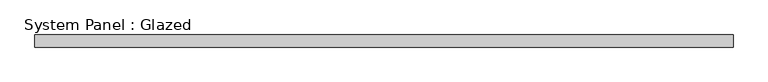
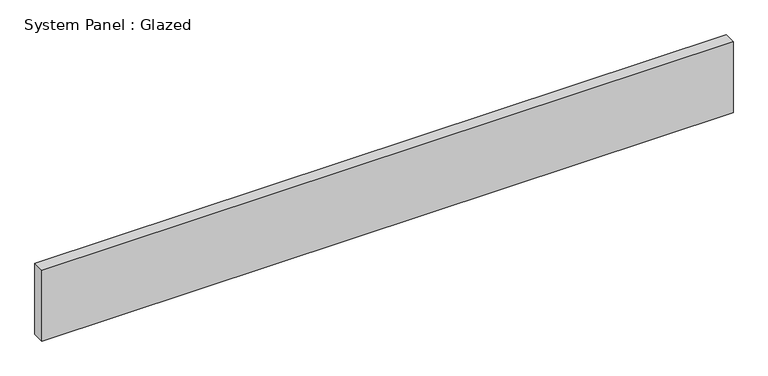
"""IFC4 building model written with IfcOpenShell, lengths in millimetres: plate geometry, System Panel : Glazed."""

from ifc_helpers import new_model, si_unit, origin, origin_with_axes, place, context, project, spatial, polyline, outline, extrude, source, transform, mapped, element, save


def system_panel_glazed_12f71c23(model_context):
    return source(origin(), model_context, "Body", "SweptSolid", [
        extrude(outline(polyline([(730.25, -12.7), (-730.25, -12.7), (-730.25, 12.7), (730.25, 12.7), (730.25, -12.7)])), origin_with_axes(), (0.0, 0.0, 1.0), 158.25),
    ])


if __name__ == "__main__":
    model = new_model("IFC4")
    model_context = context("Model", 3, world=origin())
    ifc_project = project(units=[si_unit("LENGTHUNIT", "METRE", prefix="MILLI")], contexts=[model_context])
    site = spatial("IfcSite", under=ifc_project)
    building = spatial("IfcBuilding", under=site)
    placement = place(None, origin())
    system_panel_glazed_shape = system_panel_glazed_12f71c23(model_context)
    element("IfcPlate", 1, ObjectType="System Panel : Glazed", at=placement, inside=building, context=model_context, shape_type="MappedRepresentation", body=[
        mapped(system_panel_glazed_shape, transform((0.0, 0.0, 0.0), x_axis=(1.0, 0.0, 0.0), y_axis=(0.0, 1.0, 0.0), z_axis=(0.0, 0.0, 1.0))),
    ])
    save(model, "model.ifc")
